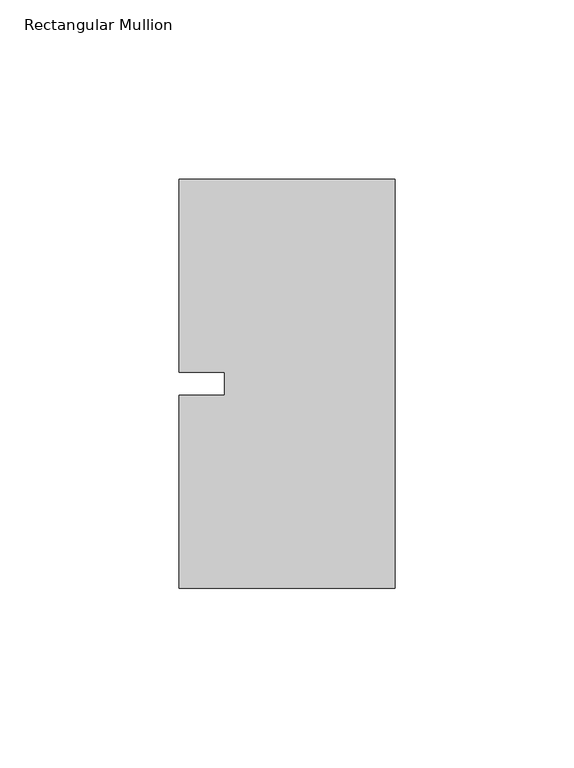
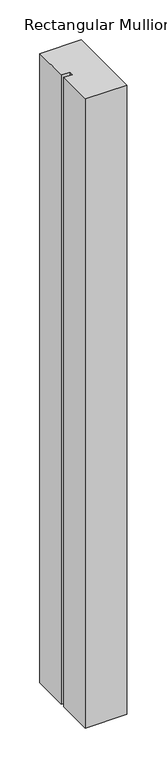
"""IFC4 building model written with IfcOpenShell, lengths in millimetres: member geometry, Rectangular Mullion."""

from ifc_helpers import new_model, si_unit, frame, origin, place, context, project, spatial, polyline, outline, extrude, source, transform, mapped, element, save


def rectangular_mullion_1c6d65c6(model_context):
    return source(origin(), model_context, "Body", "SweptSolid", [
        extrude(outline(polyline([(-60.325, 57.15), (0.0, 57.15), (0.0, -57.15), (-60.325, -57.15), (-60.325, -3.175), (-47.6232296, -3.175), (-47.6232296, 3.175), (-60.325, 3.175), (-60.325, 57.15)])), frame((0.0, 0.0, -965.2), z_axis=(0.0, 0.0, 1.0), x_axis=(1.0, 0.0, 0.0)), (0.0, 0.0, 1.0), 965.2),
    ])


if __name__ == "__main__":
    model = new_model("IFC4")
    model_context = context("Model", 3, world=origin())
    ifc_project = project(units=[si_unit("LENGTHUNIT", "METRE", prefix="MILLI")], contexts=[model_context])
    site = spatial("IfcSite", under=ifc_project)
    building = spatial("IfcBuilding", under=site)
    placement = place(None, origin())
    rectangular_mullion_shape = rectangular_mullion_1c6d65c6(model_context)
    element("IfcMember", 1, ObjectType="Rectangular Mullion", at=placement, inside=building, context=model_context, shape_type="MappedRepresentation", body=[
        mapped(rectangular_mullion_shape, transform((0.0, 0.0, 0.0), x_axis=(1.0, 0.0, 0.0), y_axis=(0.0, 1.0, 0.0), z_axis=(0.0, 0.0, 1.0))),
    ])
    save(model, "model.ifc")
